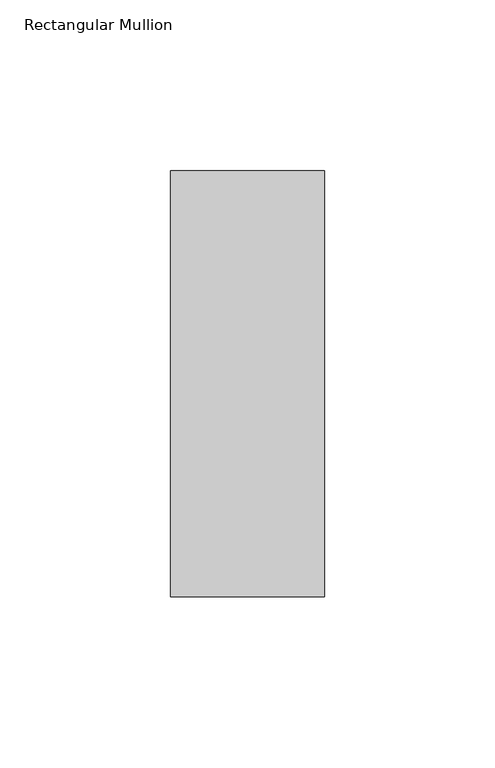
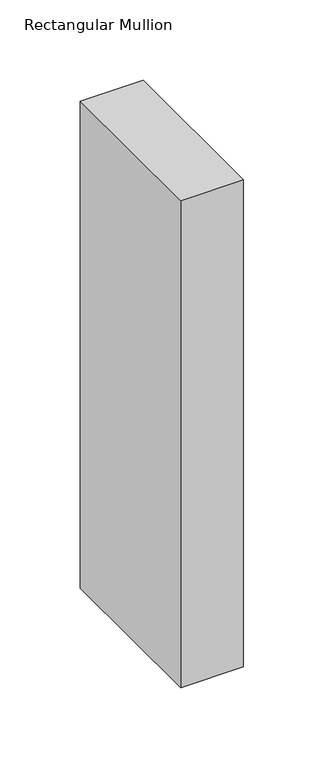
"""IFC4 building model written with IfcOpenShell, lengths in millimetres: member geometry, Rectangular Mullion."""

from ifc_helpers import new_model, si_unit, frame, origin, place, context, project, spatial, polyline, outline, extrude, source, transform, mapped, element, save


def rectangular_mullion_494f9978(model_context):
    return source(origin(), model_context, "Body", "SweptSolid", [
        extrude(outline(polyline([(0.0, -77.84375), (-45.0, -77.84375), (-45.0, 46.84375), (0.0, 46.84375), (0.0, -77.84375)])), frame((0.0, 0.0, -369.7570313), z_axis=(0.0, 0.0, 1.0), x_axis=(1.0, 0.0, 0.0)), (0.0, 0.0, 1.0), 369.7570313),
    ])


if __name__ == "__main__":
    model = new_model("IFC4")
    model_context = context("Model", 3, world=origin())
    ifc_project = project(units=[si_unit("LENGTHUNIT", "METRE", prefix="MILLI")], contexts=[model_context])
    site = spatial("IfcSite", under=ifc_project)
    building = spatial("IfcBuilding", under=site)
    placement = place(None, origin())
    rectangular_mullion_shape = rectangular_mullion_494f9978(model_context)
    element("IfcMember", 1, ObjectType="Rectangular Mullion", at=placement, inside=building, context=model_context, shape_type="MappedRepresentation", body=[
        mapped(rectangular_mullion_shape, transform((0.0, 0.0, 0.0), x_axis=(1.0, 0.0, 0.0), y_axis=(0.0, 1.0, 0.0), z_axis=(0.0, 0.0, 1.0))),
    ])
    save(model, "model.ifc")
